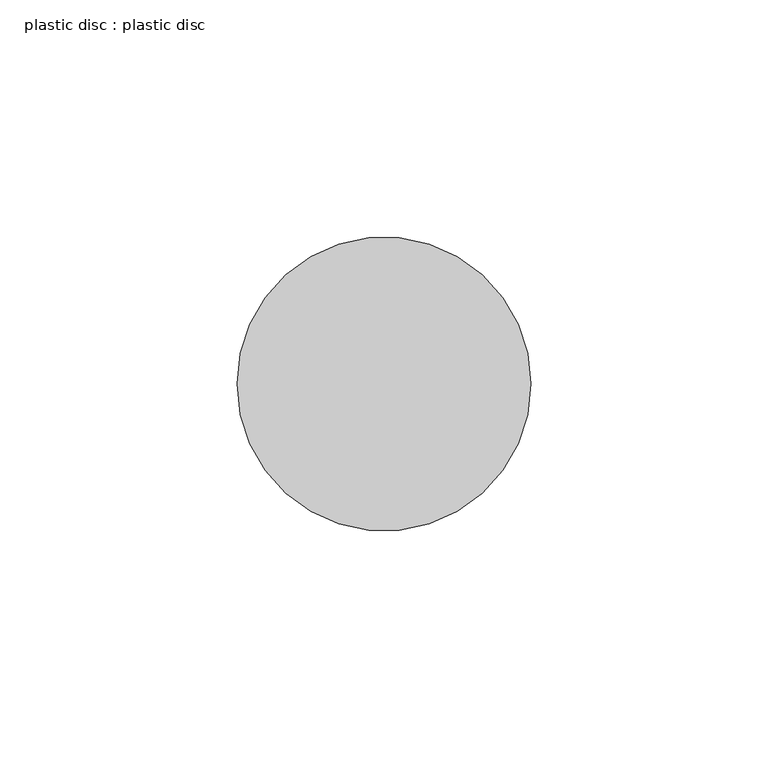
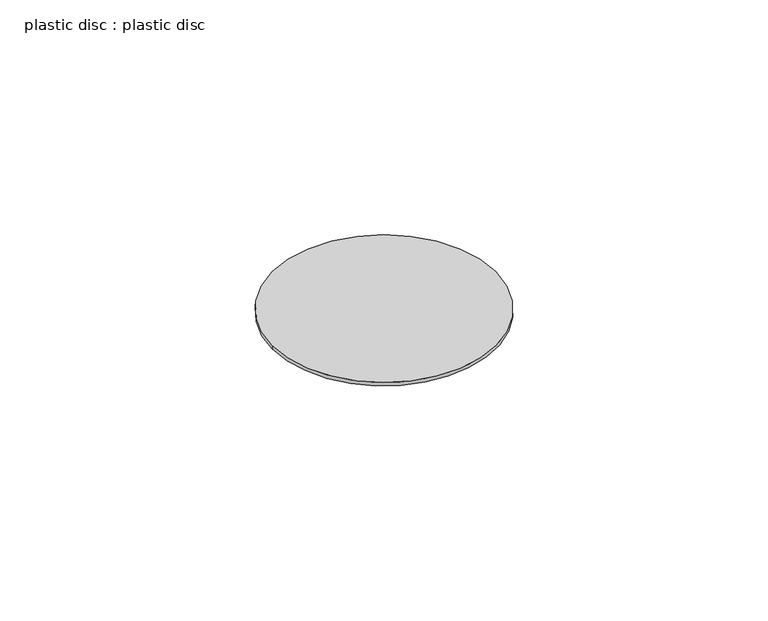
"""IFC4 building model written with IfcOpenShell, lengths in millimetres: proxy geometry, plastic disc : plastic disc."""

from ifc_helpers import new_model, si_unit, point, origin, origin_with_axes, origin_2d, place, context, project, spatial, circle_curve, trimmed, segment, composite_curve, outline, extrude, source, transform, mapped, element, save


def plastic_disc_plastic_disc_25f1051c(model_context):
    return source(origin(), model_context, "Body", "SweptSolid", [
        extrude(outline(composite_curve([segment(trimmed(circle_curve(origin_2d(), 31.0), [point((-31.0, 0.0))], [point((31.0, 0.0))], False, "CARTESIAN"), True, "CONTINUOUS"), segment(trimmed(circle_curve(origin_2d(), 31.0), [point((31.0, 0.0))], [point((-31.0, 0.0))], False, "CARTESIAN"), True, "CONTINUOUS")], self_intersect=False)), origin_with_axes(), (0.0, 0.0, 1.0), 1.0),
    ])


if __name__ == "__main__":
    model = new_model("IFC4")
    model_context = context("Model", 3, world=origin())
    ifc_project = project(units=[si_unit("LENGTHUNIT", "METRE", prefix="MILLI")], contexts=[model_context])
    site = spatial("IfcSite", under=ifc_project)
    building = spatial("IfcBuilding", under=site)
    placement = place(None, origin())
    plastic_disc_plastic_disc_shape = plastic_disc_plastic_disc_25f1051c(model_context)
    element("IfcBuildingElementProxy", 1, Name="plastic disc : plastic disc", ObjectType="plastic disc : plastic disc", at=placement, inside=building, context=model_context, shape_type="MappedRepresentation", body=[
        mapped(plastic_disc_plastic_disc_shape, transform((0.0, 0.0, 0.0), x_axis=(1.0, 0.0, 0.0), y_axis=(0.0, 1.0, 0.0), z_axis=(0.0, 0.0, 1.0))),
    ])
    save(model, "model.ifc")
